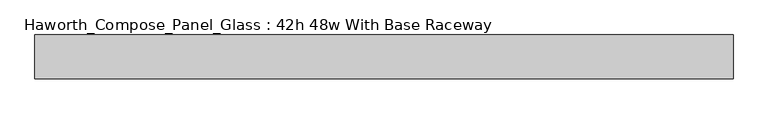
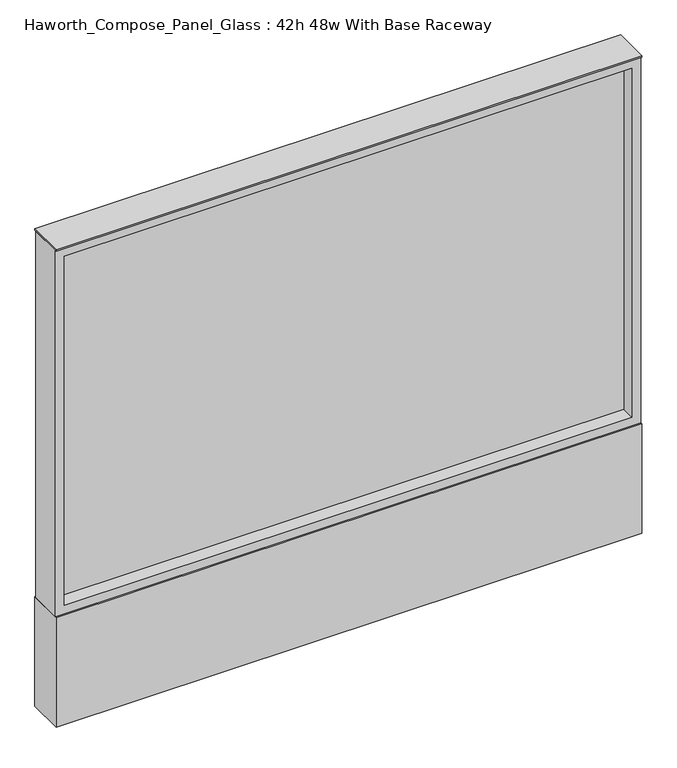
"""IFC4 building model written with IfcOpenShell, lengths in millimetres: furniture geometry, Haworth_Compose_Panel_Glass : 42h 48w With Base Raceway."""

from ifc_helpers import new_model, si_unit, point, frame, frame_2d, origin, origin_with_axes, place, context, project, spatial, polyline, circle_curve, trimmed, segment, composite_curve, outline, extrude, source, transform, mapped, element, save


def haworth_compose_panel_glass_42h_48w_with_base_raceway_c5c35da0(model_context):
    return source(origin(), model_context, "Body", "SweptSolid", [
        extrude(outline(composite_curve([segment(trimmed(circle_curve(frame_2d((535.8402902, 0.0)), 12.7), [point((523.1402902, 0.0))], [point((548.5402902, 0.0))], False, "CARTESIAN"), True, "CONTINUOUS"), segment(trimmed(circle_curve(frame_2d((535.8402902, 0.0)), 12.7), [point((548.5402902, 0.0))], [point((523.1402902, 0.0))], False, "CARTESIAN"), True, "CONTINUOUS")], self_intersect=False)), origin_with_axes(), (0.0, 0.0, 1.0), 12.7),
        extrude(outline(composite_curve([segment(trimmed(circle_curve(frame_2d((-530.9597098, 0.0)), 12.7), [point((-543.6597098, 0.0))], [point((-518.2597098, 0.0))], False, "CARTESIAN"), True, "CONTINUOUS"), segment(trimmed(circle_curve(frame_2d((-530.9597098, 0.0)), 12.7), [point((-518.2597098, 0.0))], [point((-543.6597098, 0.0))], False, "CARTESIAN"), True, "CONTINUOUS")], self_intersect=False)), origin_with_axes(), (0.0, 0.0, 1.0), 12.7),
        extrude(outline(polyline([(592.9902902, -6.35), (-588.1097098, -6.35), (-588.1097098, 6.35), (592.9902902, 6.35), (592.9902902, -6.35)])), frame((0.0, 0.0, 273.05), z_axis=(0.0, 0.0, 1.0), x_axis=(1.0, 0.0, 0.0)), (0.0, 0.0, 1.0), 768.35),
        extrude(outline(polyline([(1060.45, -607.1597098), (254.0, -607.1597098), (254.0, 612.0402902), (1060.45, 612.0402902), (1060.45, -607.1597098)]), holes=[polyline([(1041.4, 592.9902902), (273.05, 592.9902902), (273.05, -588.1097098), (1041.4, -588.1097098), (1041.4, 592.9902902)])]), frame((0.0, -34.925, 0.0), z_axis=(0.0, 1.0, 0.0), x_axis=(0.0, 0.0, 1.0)), (0.0, 0.0, 1.0), 69.85),
        extrude(outline(polyline([(-607.1597098, 38.1), (612.0402902, 38.1), (612.0402902, -38.1), (-607.1597098, -38.1), (-607.1597098, 38.1)])), frame((0.0, 0.0, 12.7), z_axis=(0.0, 0.0, 1.0), x_axis=(1.0, 0.0, 0.0)), (0.0, 0.0, 1.0), 241.3),
        extrude(outline(polyline([(-607.1597098, -38.1), (-607.1597098, 38.1), (612.0402902, 38.1), (612.0402902, -38.1), (-607.1597098, -38.1)])), frame((0.0, 0.0, 1060.45), z_axis=(0.0, 0.0, 1.0), x_axis=(1.0, 0.0, 0.0)), (0.0, 0.0, 1.0), 3.175),
    ])


if __name__ == "__main__":
    model = new_model("IFC4")
    model_context = context("Model", 3, world=origin())
    ifc_project = project(units=[si_unit("LENGTHUNIT", "METRE", prefix="MILLI")], contexts=[model_context])
    site = spatial("IfcSite", under=ifc_project)
    building = spatial("IfcBuilding", under=site)
    placement = place(None, origin())
    haworth_compose_panel_glass_42h_48w_with_base_raceway_shape = haworth_compose_panel_glass_42h_48w_with_base_raceway_c5c35da0(model_context)
    element("IfcFurniture", 1, ObjectType="Haworth_Compose_Panel_Glass : 42h 48w With Base Raceway", at=placement, inside=building, context=model_context, shape_type="MappedRepresentation", body=[
        mapped(haworth_compose_panel_glass_42h_48w_with_base_raceway_shape, transform((0.0, 0.0, 0.0), x_axis=(1.0, 0.0, 0.0), y_axis=(0.0, 1.0, 0.0), z_axis=(0.0, 0.0, 1.0))),
    ])
    save(model, "model.ifc")
